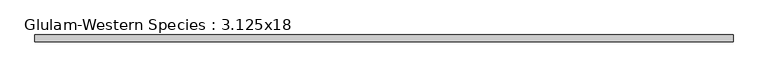
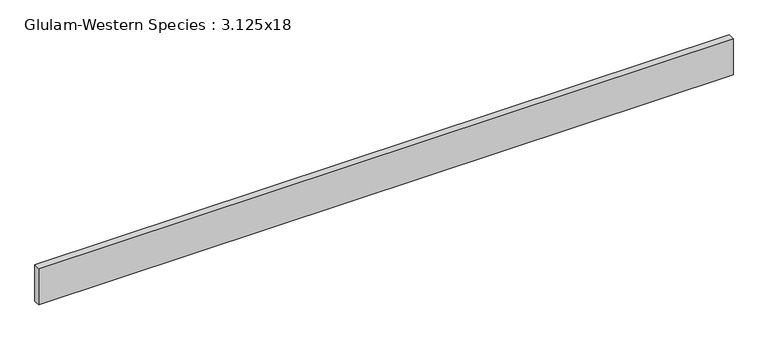
"""IFC4 building model written with IfcOpenShell, lengths in millimetres: beam geometry, Glulam-Western Species : 3.125x18."""

from ifc_helpers import new_model, si_unit, frame, origin, place, context, project, spatial, polyline, outline, extrude, source, transform, mapped, element, save


def glulam_western_species_3_125x18_0cab02f5(model_context):
    return source(origin(), model_context, "Body", "SweptSolid", [
        extrude(outline(polyline([(4149.6899548, 39.6875), (4149.6899548, -39.6875), (-4149.6899548, -39.6875), (-4149.6899548, 39.6875), (4149.6899548, 39.6875)])), frame((0.0, 0.0, -228.6), z_axis=(0.0, 0.0, 1.0), x_axis=(1.0, 0.0, 0.0)), (0.0, 0.0, 1.0), 457.2),
    ])


if __name__ == "__main__":
    model = new_model("IFC4")
    model_context = context("Model", 3, world=origin())
    ifc_project = project(units=[si_unit("LENGTHUNIT", "METRE", prefix="MILLI")], contexts=[model_context])
    site = spatial("IfcSite", under=ifc_project)
    building = spatial("IfcBuilding", under=site)
    placement = place(None, origin())
    glulam_western_species_3_125x18_shape = glulam_western_species_3_125x18_0cab02f5(model_context)
    element("IfcBeam", 1, ObjectType="Glulam-Western Species : 3.125x18", at=placement, inside=building, context=model_context, shape_type="MappedRepresentation", body=[
        mapped(glulam_western_species_3_125x18_shape, transform((0.0, 0.0, 0.0), x_axis=(1.0, 0.0, 0.0), y_axis=(0.0, 1.0, 0.0), z_axis=(0.0, 0.0, 1.0))),
    ])
    save(model, "model.ifc")
